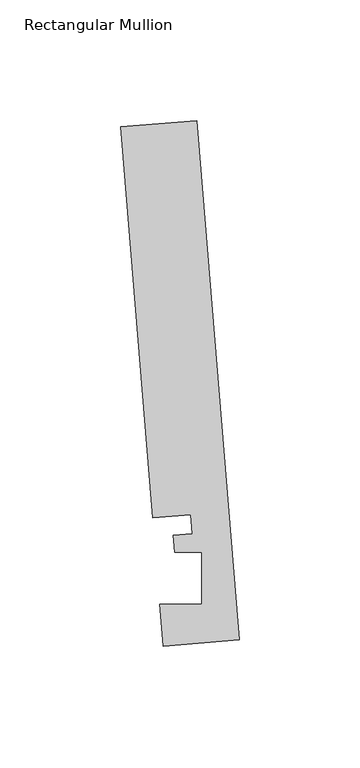
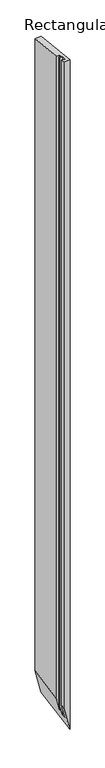
"""IFC4 building model written with IfcOpenShell, lengths in millimetres: member geometry, Rectangular Mullion."""

from ifc_helpers import new_model, si_unit, origin, place, context, project, spatial, faceted_brep, source, transform, mapped, element, save


def rectangular_mullion_f2a4db39(model_context):
    return source(origin(), model_context, "Body", "Brep", [
        faceted_brep([(-17.8927766, 218.100182, 0.0), (-0.2190396, 2.6699364, 0.0), (-0.2190396, 2.6699364, -3490.1883441), (-17.8927766, 218.100182, -3420.663155), (-49.5364672, 215.5041572, 0.0), (-49.5364672, 215.5041572, -3296.1827707), (-36.2302824, 53.3112566, 0.0), (-36.2302824, 53.3112566, -3348.5268232), (-20.4084371, 54.6092691, 0.0), (-20.4084371, 54.6092691, -3410.7670153), (-19.7625461, 46.7363188, 0.0), (-19.7625461, 46.7363188, -3413.3078301), (-27.6861262, 46.0862742, 0.0), (-27.6861262, 46.0862742, -3382.1379419), (-27.100463, 38.9474576, 0.0), (-27.100463, 38.9474576, -3384.4418318), (-15.848851, 38.9474576, 0.0), (-15.848851, 38.9474576, -3428.7035776), (-15.8506254, 17.315866, 0.0), (-15.8506254, 17.315866, -3428.6965972), (-33.2772473, 17.315866, 0.0), (-33.2772473, 17.315866, -3360.143513), (-31.8627302, 0.0739116, 0.0), (-31.8627302, 0.0739116, -3365.7079598)], [[[0, 1, 2, 3]], [[4, 0, 3, 5]], [[6, 4, 5, 7]], [[8, 6, 7, 9]], [[10, 8, 9, 11]], [[12, 10, 11, 13]], [[14, 12, 13, 15]], [[16, 14, 15, 17]], [[18, 16, 17, 19]], [[20, 18, 19, 21]], [[22, 20, 21, 23]], [[1, 22, 23, 2]], [[1, 0, 4, 6, 8, 10, 12, 14, 16, 18, 20, 22]], [[2, 23, 21, 19, 17, 15, 13, 11, 9, 7, 5, 3]]]),
    ])


if __name__ == "__main__":
    model = new_model("IFC4")
    model_context = context("Model", 3, world=origin())
    ifc_project = project(units=[si_unit("LENGTHUNIT", "METRE", prefix="MILLI")], contexts=[model_context])
    site = spatial("IfcSite", under=ifc_project)
    building = spatial("IfcBuilding", under=site)
    placement = place(None, origin())
    rectangular_mullion_shape = rectangular_mullion_f2a4db39(model_context)
    element("IfcMember", 1, ObjectType="Rectangular Mullion", at=placement, inside=building, context=model_context, shape_type="MappedRepresentation", body=[
        mapped(rectangular_mullion_shape, transform((0.0, 0.0, 0.0), x_axis=(1.0, 0.0, 0.0), y_axis=(0.0, 1.0, 0.0), z_axis=(0.0, 0.0, 1.0))),
    ])
    save(model, "model.ifc")
